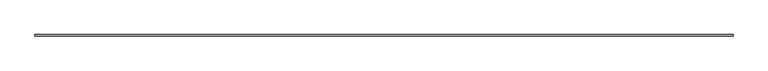
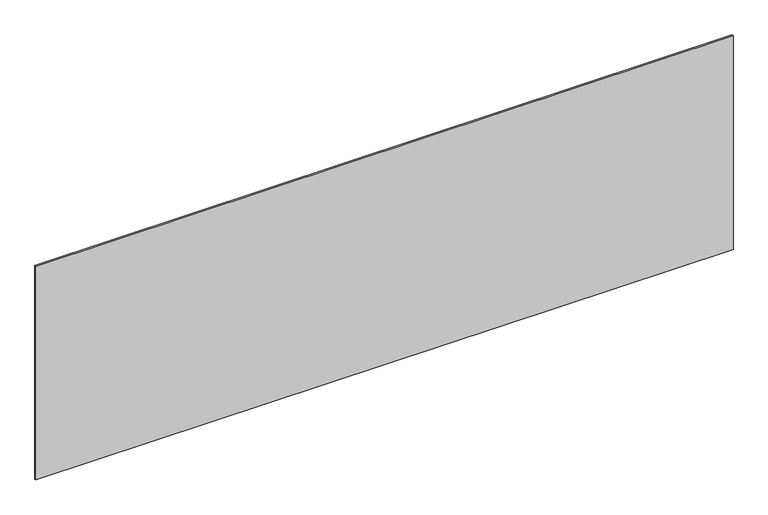
"""IFC4 building model written with IfcOpenShell, lengths in millimetres: plate geometry."""

from ifc_helpers import new_model, si_unit, origin, origin_with_axes, place, context, project, spatial, polyline, outline, extrude, source, transform, mapped, element, save


def plate_2f9abbd2(model_context):
    return source(origin(), model_context, "Body", "SweptSolid", [
        extrude(outline(polyline([(2206.6666667, -5.0), (-2206.6666667, -5.0), (-2206.6666667, 5.0), (2206.6666667, 5.0), (2206.6666667, -5.0)])), origin_with_axes(), (0.0, 0.0, 1.0), 1429.9964382),
    ])


if __name__ == "__main__":
    model = new_model("IFC4")
    model_context = context("Model", 3, world=origin())
    ifc_project = project(units=[si_unit("LENGTHUNIT", "METRE", prefix="MILLI")], contexts=[model_context])
    site = spatial("IfcSite", under=ifc_project)
    building = spatial("IfcBuilding", under=site)
    placement = place(None, origin())
    plate_shape = plate_2f9abbd2(model_context)
    element("IfcPlate", 1, at=placement, inside=building, context=model_context, shape_type="MappedRepresentation", body=[
        mapped(plate_shape, transform((0.0, 0.0, 0.0), x_axis=(1.0, 0.0, 0.0), y_axis=(0.0, 1.0, 0.0), z_axis=(0.0, 0.0, 1.0))),
    ])
    save(model, "model.ifc")
